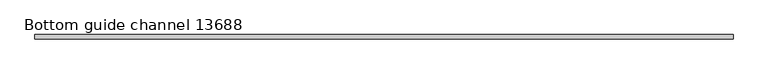
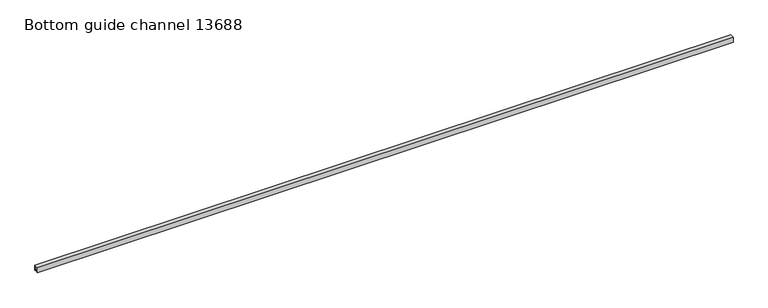
"""IFC4 building model written with IfcOpenShell, lengths in millimetres: proxy geometry, Bottom guide channel 13688."""

from ifc_helpers import new_model, si_unit, frame, origin, place, context, project, spatial, polyline, outline, extrude, source, transform, mapped, element, save


def bottom_guide_channel_13688_20726b92(model_context):
    return source(origin(), model_context, "Body", "SweptSolid", [
        extrude(outline(polyline([(-14.0, 0.0), (-14.0, 32.0), (14.0, 32.0), (14.0, 0.0), (6.0, 0.0), (6.0, 3.0), (11.0, 3.0), (11.0, 29.0), (-10.9166556, 29.0), (-10.9166556, 3.0), (-6.0, 3.0), (-6.0, 0.0), (-14.0, 0.0)])), frame((0.0, 0.0, 0.0), z_axis=(1.0, 0.0, 0.0), x_axis=(0.0, 1.0, 0.0)), (0.0, 0.0, 1.0), 4392.5389967),
    ])


if __name__ == "__main__":
    model = new_model("IFC4")
    model_context = context("Model", 3, world=origin())
    ifc_project = project(units=[si_unit("LENGTHUNIT", "METRE", prefix="MILLI")], contexts=[model_context])
    site = spatial("IfcSite", under=ifc_project)
    building = spatial("IfcBuilding", under=site)
    placement = place(None, origin())
    bottom_guide_channel_13688_shape = bottom_guide_channel_13688_20726b92(model_context)
    element("IfcBuildingElementProxy", 1, Name="Bottom guide channel 13688", ObjectType="Bottom guide channel 13688", at=placement, inside=building, context=model_context, shape_type="MappedRepresentation", body=[
        mapped(bottom_guide_channel_13688_shape, transform((0.0, 0.0, 0.0), x_axis=(1.0, 0.0, 0.0), y_axis=(0.0, 1.0, 0.0), z_axis=(0.0, 0.0, 1.0))),
    ])
    save(model, "model.ifc")
